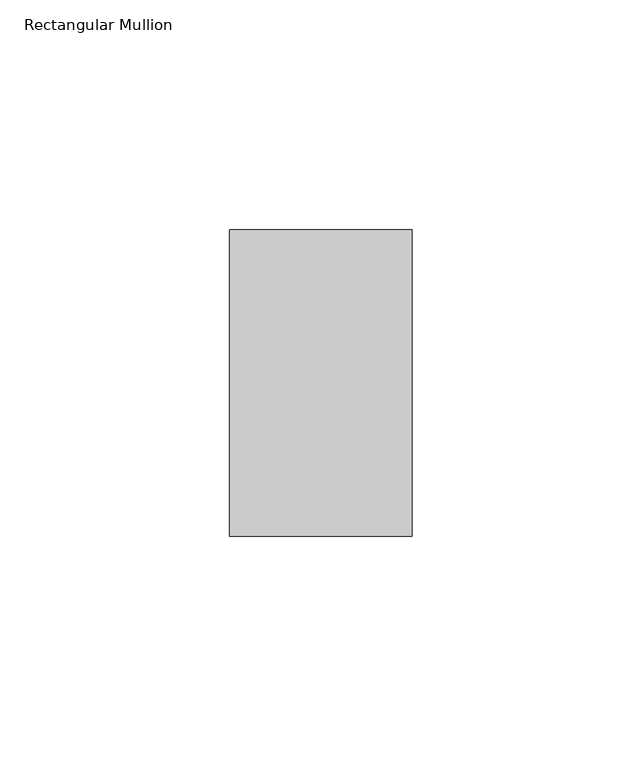
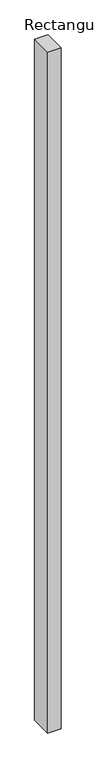
"""IFC4 building model written with IfcOpenShell, lengths in millimetres: member geometry, Rectangular Mullion."""

from ifc_helpers import new_model, si_unit, frame, origin, place, context, project, spatial, polyline, outline, extrude, source, transform, mapped, element, save


def rectangular_mullion_8d1e4375(model_context):
    return source(origin(), model_context, "Body", "SweptSolid", [
        extrude(outline(polyline([(0.0, 33.3375), (0.0, -33.3375), (-39.6875, -33.3375), (-39.6875, 33.3375), (0.0, 33.3375)])), frame((0.0, 0.0, -2133.6), z_axis=(0.0, 0.0, 1.0), x_axis=(1.0, 0.0, 0.0)), (0.0, 0.0, 1.0), 2133.6),
    ])


if __name__ == "__main__":
    model = new_model("IFC4")
    model_context = context("Model", 3, world=origin())
    ifc_project = project(units=[si_unit("LENGTHUNIT", "METRE", prefix="MILLI")], contexts=[model_context])
    site = spatial("IfcSite", under=ifc_project)
    building = spatial("IfcBuilding", under=site)
    placement = place(None, origin())
    rectangular_mullion_shape = rectangular_mullion_8d1e4375(model_context)
    element("IfcMember", 1, ObjectType="Rectangular Mullion", at=placement, inside=building, context=model_context, shape_type="MappedRepresentation", body=[
        mapped(rectangular_mullion_shape, transform((0.0, 0.0, 0.0), x_axis=(1.0, 0.0, 0.0), y_axis=(0.0, 1.0, 0.0), z_axis=(0.0, 0.0, 1.0))),
    ])
    save(model, "model.ifc")
